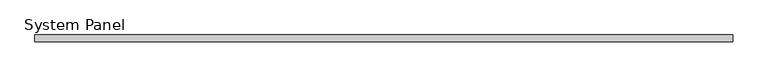
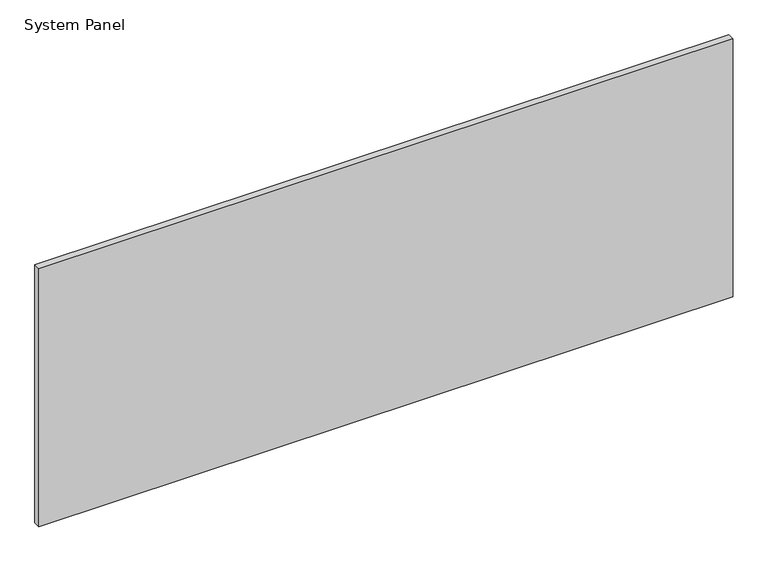
"""IFC4 building model written with IfcOpenShell, lengths in millimetres: plate geometry, System Panel."""

from ifc_helpers import new_model, si_unit, origin, origin_with_axes, place, context, project, spatial, polyline, outline, extrude, source, transform, mapped, element, save


def system_panel_528a0c3c(model_context):
    return source(origin(), model_context, "Body", "SweptSolid", [
        extrude(outline(polyline([(654.8437501, -12.7), (-654.8437501, -12.7), (-654.8437501, 0.0), (654.8437501, 0.0), (654.8437501, -12.7)])), origin_with_axes(), (0.0, 0.0, 1.0), 514.35),
    ])


if __name__ == "__main__":
    model = new_model("IFC4")
    model_context = context("Model", 3, world=origin())
    ifc_project = project(units=[si_unit("LENGTHUNIT", "METRE", prefix="MILLI")], contexts=[model_context])
    site = spatial("IfcSite", under=ifc_project)
    building = spatial("IfcBuilding", under=site)
    placement = place(None, origin())
    system_panel_shape = system_panel_528a0c3c(model_context)
    element("IfcPlate", 1, ObjectType="System Panel", at=placement, inside=building, context=model_context, shape_type="MappedRepresentation", body=[
        mapped(system_panel_shape, transform((0.0, 0.0, 0.0), x_axis=(1.0, 0.0, 0.0), y_axis=(0.0, 1.0, 0.0), z_axis=(0.0, 0.0, 1.0))),
    ])
    save(model, "model.ifc")
